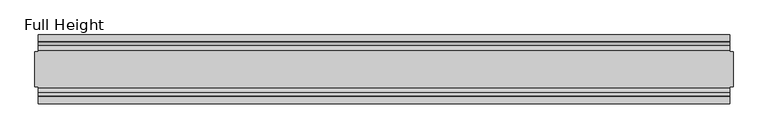
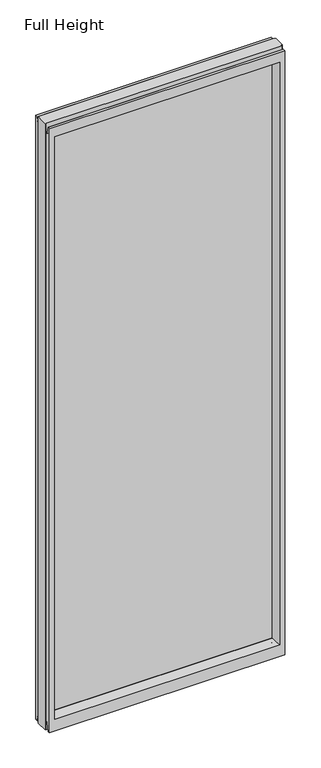
"""IFC4 building model written with IfcOpenShell, lengths in millimetres: plate geometry, Full Height."""

from ifc_helpers import new_model, si_unit, frame, origin, place, context, project, spatial, polyline, circle_curve, outline, extrude, source, transform, mapped, element, save
from ifc_brep_helpers import plane_surface, cylinder_surface, revolved_surface, advanced_brep


def full_height_b04af7f7(model_context):
    return source(origin(), model_context, "Body", "SolidModel", [
        advanced_brep(
        [(507.9531152, 25.146, 2743.2), (503.3811152, 25.146, 2743.2), (503.3811152, 26.67, 2743.2), (-503.3811152, 26.67, 2743.2), (-503.3811152, 25.146, 2743.2), (-507.9531152, 25.146, 2743.2), (-507.9531152, -25.146, 2743.2), (-503.3811152, -25.146, 2743.2), (-503.3811152, -26.67, 2743.2), (503.3811152, -26.67, 2743.2), (503.3811152, -25.146, 2743.2), (507.9531152, -25.146, 2743.2), (507.9531152, 25.146, 0.0), (507.9531152, -25.146, 0.0), (503.3811152, -25.146, 0.0), (503.3811152, -26.67, 0.0), (-503.3811152, -26.67, 0.0), (-503.3811152, -25.146, 0.0), (-507.9531152, -25.146, 0.0), (-507.9531152, 25.146, 0.0), (-503.3811152, 25.146, 0.0), (-503.3811152, 26.67, 0.0), (503.3811152, 26.67, 0.0), (503.3811152, 25.146, 0.0), (-503.3811152, 40.7946686, 0.0), (-503.3811152, 50.0, 0.0), (503.3811152, 50.0, 0.0), (503.3811152, 40.7946686, 0.0), (-503.3811152, 26.67, 36.4542208), (503.3811152, 26.67, 36.4542208), (-503.3811152, -26.67, 36.4542208), (-503.3811152, -34.2686707, 36.8568054), (-503.3811152, -36.9464913, 11.6561909), (-503.3811152, -39.043018, 8.6755976), (-503.3811152, -39.5246686, 7.9074686), (-503.3811152, -39.5246686, 1.27), (-503.3811152, -40.7946686, 0.0), (-503.3811152, -50.0, 0.0), (-503.3811152, -50.0, 2734.056), (-503.3811152, -39.9371387, 2734.056), (-503.3811152, -39.1867152, 2733.4263199), (-503.3811152, -34.2321175, 2705.3274004), (-503.3811152, -26.67, 2705.989), (-503.3811152, 39.5246686, 1.27), (-503.3811152, 39.5246686, 7.9074686), (-503.3811152, 39.043018, 8.6755976), (-503.3811152, 36.9464913, 11.6561909), (-503.3811152, 34.2686707, 36.8568054), (-503.3811152, 26.67, 2705.989), (-503.3811152, 34.2321175, 2705.3274004), (-503.3811152, 39.1867152, 2733.4263199), (-503.3811152, 39.9371387, 2734.056), (-503.3811152, 50.0, 2734.056), (503.3811152, -50.0, 0.0), (503.3811152, -50.0, 2734.056), (-481.2831152, -50.0, 2689.479), (481.2831152, -50.0, 2689.479), (481.2831152, -50.0, 52.8372208), (-481.2831152, -50.0, 52.8372208), (503.3811152, 50.0, 2734.056), (-481.2831152, 50.0, 52.8372208), (481.2831152, 50.0, 52.8372208), (481.2831152, 50.0, 2689.479), (-481.2831152, 50.0, 2689.479), (-475.3141152, -6.1006519, 58.8062208), (-475.3141152, -6.1006519, 2683.51), (-475.3141152, 6.1006519, 2683.51), (-475.3141152, 6.1006519, 58.8062208), (475.3141152, 6.1006519, 58.8062208), (475.3141152, 6.1006519, 2683.51), (475.3141152, -6.1006519, 2683.51), (475.3141152, -6.1006519, 58.8062208), (503.3811152, -40.7946686, 0.0), (503.3811152, -39.5246686, 1.27), (503.3811152, -39.5246686, 7.9074686), (503.3811152, -39.043018, 8.6755976), (503.3811152, -36.9464913, 11.6561909), (503.3811152, -34.2686707, 36.8568054), (503.3811152, -26.67, 36.4542208), (503.3811152, -26.67, 2705.989), (503.3811152, -34.2321175, 2705.3274004), (503.3811152, -39.1867152, 2733.4263199), (503.3811152, -39.9371387, 2734.056), (503.3811152, 39.9371387, 2734.056), (503.3811152, 39.1867152, 2733.4263199), (503.3811152, 34.2321175, 2705.3274004), (503.3811152, 26.67, 2705.989), (503.3811152, 34.2686707, 36.8568054), (503.3811152, 36.9464913, 11.6561909), (503.3811152, 39.043018, 8.6755976), (503.3811152, 39.5246686, 7.9074686), (503.3811152, 39.5246686, 1.27)],
        [
            (0, 1),
            (1, 2),
            (2, 3),
            (3, 4),
            (4, 5),
            (5, 6),
            (6, 7),
            (7, 8),
            (8, 9),
            (9, 10),
            (10, 11),
            (11, 0),
            (12, 13),
            (13, 14),
            (14, 15),
            (15, 16),
            (16, 17),
            (17, 18),
            (18, 19),
            (19, 20),
            (20, 21),
            (21, 22),
            (22, 23),
            (23, 12),
            (23, 1),
            (0, 12),
            (10, 14),
            (13, 11),
            (5, 19),
            (18, 6),
            (17, 7),
            (4, 20),
            (24, 25),
            (25, 26),
            (26, 27),
            (27, 24),
            (21, 28),
            (28, 29),
            (29, 22),
            (16, 30),
            (30, 31, circle_curve(frame((-503.3811152, -30.48, 36.4542208), z_axis=(1.0, 0.0, 0.0), x_axis=(0.0, -1.0, 0.0)), 3.81)),
            (31, 32),
            (32, 33, circle_curve(frame((-503.3811152, -40.6770502, 12.0526006), z_axis=(-1.0, 0.0, 0.0), x_axis=(0.0, -1.0, 0.0)), 3.751561)),
            (33, 34, circle_curve(frame((-503.3811152, -38.671343, 7.9074686), z_axis=(1.0, 0.0, 0.0), x_axis=(0.0, -1.0, 0.0)), 0.8533256)),
            (34, 35),
            (35, 36, circle_curve(frame((-503.3811152, -40.7946686, 1.27), z_axis=(-1.0, 0.0, 0.0), x_axis=(0.0, -1.0, 0.0)), 1.27)),
            (36, 37),
            (37, 38),
            (38, 39),
            (39, 40, circle_curve(frame((-503.3811152, -39.9371387, 2733.294), z_axis=(-1.0, 0.0, 0.0), x_axis=(0.0, -1.0, 0.0)), 0.762)),
            (40, 41),
            (41, 42, circle_curve(frame((-503.3811152, -30.48, 2705.989), z_axis=(1.0, 0.0, 0.0), x_axis=(0.0, -1.0, 0.0)), 3.81)),
            (42, 8),
            (24, 43, circle_curve(frame((-503.3811152, 40.7946686, 1.27), z_axis=(-1.0, 0.0, 0.0), x_axis=(0.0, -1.0, 0.0)), 1.27)),
            (43, 44),
            (44, 45, circle_curve(frame((-503.3811152, 38.671343, 7.9074686), z_axis=(1.0, 0.0, 0.0), x_axis=(0.0, -1.0, 0.0)), 0.8533256)),
            (45, 46, circle_curve(frame((-503.3811152, 40.6770502, 12.0526006), z_axis=(-1.0, 0.0, 0.0), x_axis=(0.0, -1.0, 0.0)), 3.751561)),
            (46, 47),
            (47, 28, circle_curve(frame((-503.3811152, 30.48, 36.4542208), z_axis=(1.0, 0.0, 0.0), x_axis=(0.0, -1.0, 0.0)), 3.81)),
            (3, 48),
            (48, 49, circle_curve(frame((-503.3811152, 30.48, 2705.989), z_axis=(1.0, 0.0, 0.0), x_axis=(0.0, -1.0, 0.0)), 3.81)),
            (49, 50),
            (50, 51, circle_curve(frame((-503.3811152, 39.9371387, 2733.294), z_axis=(-1.0, 0.0, 0.0), x_axis=(0.0, -1.0, 0.0)), 0.762)),
            (51, 52),
            (52, 25),
            (37, 53),
            (53, 54),
            (54, 38),
            (55, 56),
            (56, 57),
            (57, 58),
            (58, 55),
            (52, 59),
            (59, 26),
            (60, 61),
            (61, 62),
            (62, 63),
            (63, 60),
            (58, 64),
            (64, 65),
            (65, 55),
            (63, 66),
            (66, 67),
            (67, 60),
            (61, 68),
            (68, 69),
            (69, 62),
            (70, 71),
            (71, 57),
            (56, 70),
            (53, 72),
            (72, 73, circle_curve(frame((503.3811152, -40.7946686, 1.27), z_axis=(1.0, 0.0, 0.0), x_axis=(0.0, -1.0, 0.0)), 1.27)),
            (73, 74),
            (74, 75, circle_curve(frame((503.3811152, -38.671343, 7.9074686), z_axis=(-1.0, 0.0, 0.0), x_axis=(0.0, -1.0, 0.0)), 0.8533256)),
            (75, 76, circle_curve(frame((503.3811152, -40.6770502, 12.0526006), z_axis=(1.0, 0.0, 0.0), x_axis=(0.0, -1.0, 0.0)), 3.751561)),
            (76, 77),
            (77, 78, circle_curve(frame((503.3811152, -30.48, 36.4542208), z_axis=(-1.0, 0.0, 0.0), x_axis=(0.0, -1.0, 0.0)), 3.81)),
            (78, 15),
            (9, 79),
            (79, 80, circle_curve(frame((503.3811152, -30.48, 2705.989), z_axis=(-1.0, 0.0, 0.0), x_axis=(0.0, -1.0, 0.0)), 3.81)),
            (80, 81),
            (81, 82, circle_curve(frame((503.3811152, -39.9371387, 2733.294), z_axis=(1.0, 0.0, 0.0), x_axis=(0.0, -1.0, 0.0)), 0.762)),
            (82, 54),
            (59, 83),
            (83, 84, circle_curve(frame((503.3811152, 39.9371387, 2733.294), z_axis=(1.0, 0.0, 0.0), x_axis=(0.0, -1.0, 0.0)), 0.762)),
            (84, 85),
            (85, 86, circle_curve(frame((503.3811152, 30.48, 2705.989), z_axis=(-1.0, 0.0, 0.0), x_axis=(0.0, -1.0, 0.0)), 3.81)),
            (86, 2),
            (29, 87, circle_curve(frame((503.3811152, 30.48, 36.4542208), z_axis=(-1.0, 0.0, 0.0), x_axis=(0.0, -1.0, 0.0)), 3.81)),
            (87, 88),
            (88, 89, circle_curve(frame((503.3811152, 40.6770502, 12.0526006), z_axis=(1.0, 0.0, 0.0), x_axis=(0.0, -1.0, 0.0)), 3.751561)),
            (89, 90, circle_curve(frame((503.3811152, 38.671343, 7.9074686), z_axis=(-1.0, 0.0, 0.0), x_axis=(0.0, -1.0, 0.0)), 0.8533256)),
            (90, 91),
            (91, 27, circle_curve(frame((503.3811152, 40.7946686, 1.27), z_axis=(1.0, 0.0, 0.0), x_axis=(0.0, -1.0, 0.0)), 1.27)),
            (91, 43),
            (90, 44),
            (89, 45),
            (88, 46),
            (87, 47),
            (78, 30),
            (31, 77),
            (76, 32),
            (75, 33),
            (74, 34),
            (73, 35),
            (72, 36),
            (71, 64),
            (67, 68),
            (86, 48),
            (85, 49),
            (84, 50),
            (83, 51),
            (69, 66),
            (65, 70),
            (82, 39),
            (81, 40),
            (80, 41),
            (79, 42),
            (65, 66),
            (69, 70),
            (71, 68),
            (67, 64),
        ],
        [
            plane_surface(frame((503.3811152, 25.146, 2743.2), z_axis=(0.0, 0.0, 1.0), x_axis=(-1.0, 0.0, 0.0))),
            plane_surface(frame((503.3811152, 25.146, 0.0), z_axis=(0.0, 0.0, -1.0), x_axis=(1.0, 0.0, 0.0))),
            plane_surface(frame((507.9531152, 25.146, 2743.2), z_axis=(0.0, 1.0, 0.0), x_axis=(0.0, 0.0, -1.0))),
            plane_surface(frame((503.3811152, -25.146, 2743.2), z_axis=(0.0, -1.0, 0.0), x_axis=(0.0, 0.0, -1.0))),
            plane_surface(frame((507.9531152, -25.146, 2743.2), z_axis=(1.0, 0.0, 0.0), x_axis=(0.0, 0.0, -1.0))),
            plane_surface(frame((-507.9531152, 25.146, 2743.2), z_axis=(-1.0, 0.0, 0.0), x_axis=(0.0, 0.0, -1.0))),
            plane_surface(frame((-507.9531152, -25.146, 2743.2), z_axis=(0.0, -1.0, 0.0), x_axis=(0.0, 0.0, -1.0))),
            plane_surface(frame((-503.3811152, 25.146, 2743.2), z_axis=(0.0, 1.0, 0.0), x_axis=(0.0, 0.0, -1.0))),
            plane_surface(frame((-503.3811152, 50.0, 0.0), z_axis=(0.0, 0.0, -1.0), x_axis=(1.0, 0.0, 0.0))),
            plane_surface(frame((-503.3811152, 26.67, 36.4542208), z_axis=(0.0, 1.0, 0.0), x_axis=(1.0, 0.0, 0.0))),
            plane_surface(frame((-503.3811152, 50.0, 2701.2646), z_axis=(-1.0, 0.0, 0.0), x_axis=(0.0, 0.0, -1.0))),
            plane_surface(frame((-503.3811152, -50.0, 2701.2646), z_axis=(0.0, -1.0, 0.0), x_axis=(0.0, 0.0, -1.0))),
            plane_surface(frame((-481.2831152, 50.0, 2701.2646), z_axis=(0.0, 1.0, 0.0), x_axis=(0.0, 0.0, -1.0))),
            plane_surface(frame((-481.2831152, -50.0, 2701.2646), z_axis=(0.9908822943533606, -0.13473039277393942, 0.0), x_axis=(0.0, 0.0, -1.0))),
            plane_surface(frame((-475.3141152, 6.1006519, 2701.2646), z_axis=(0.9908822943533612, 0.13473039277393595, 0.0), x_axis=(0.0, 0.0, -1.0))),
            plane_surface(frame((481.2831152, 50.0, 2701.2646), z_axis=(-0.9908822943533605, 0.1347303927739403, 0.0), x_axis=(0.0, 0.0, -1.0))),
            plane_surface(frame((475.3141152, -6.1006519, 2701.2646), z_axis=(-0.9908822943533563, -0.13473039277397156, 0.0), x_axis=(0.0, 0.0, -1.0))),
            plane_surface(frame((503.3811152, -50.0, 2701.2646), z_axis=(1.0, 0.0, 0.0), x_axis=(0.0, 0.0, -1.0))),
            cylinder_surface(frame((503.3811152, 40.7946686, 1.27), z_axis=(-1.0, 0.0, 0.0), x_axis=(0.0, -1.0, 0.0)), 1.27),
            plane_surface(frame((-503.3811152, 39.5246686, 1.27), z_axis=(0.0, -1.0, 0.0), x_axis=(1.0, 0.0, 0.0))),
            revolved_surface(polyline([(503.3811152, 37.8180174, 7.9074686), (-503.3811152, 37.8180174, 7.9074686)]), (503.3811152, 38.671343, 7.9074686), (1.0, 0.0, 0.0)),
            cylinder_surface(frame((503.3811152, 40.6770502, 12.0526006), z_axis=(-1.0, 0.0, 0.0), x_axis=(0.0, -1.0, 0.0)), 3.751561),
            plane_surface(frame((-503.3811152, 36.9464913, 11.6561909), z_axis=(0.0, -0.994401756086667, -0.10566526151840452), x_axis=(1.0, 0.0, 0.0))),
            plane_surface(frame((-503.3811152, -26.67, 0.0), z_axis=(0.0, -1.0, 0.0), x_axis=(1.0, 0.0, 0.0))),
            plane_surface(frame((-503.3811152, -34.2686707, 36.8568054), z_axis=(0.0, 0.9944017560866222, -0.10566526151882655), x_axis=(1.0, 0.0, 0.0))),
            cylinder_surface(frame((503.3811152, -40.6770502, 12.0526006), z_axis=(-1.0, 0.0, 0.0), x_axis=(0.0, -1.0, 0.0)), 3.751561),
            revolved_surface(polyline([(503.3811152, -39.5246686, 7.9074686), (-503.3811152, -39.5246686, 7.9074686)]), (503.3811152, -38.671343, 7.9074686), (1.0, 0.0, 0.0)),
            plane_surface(frame((-503.3811152, -39.5246686, 7.9074686), z_axis=(0.0, 1.0, 0.0), x_axis=(1.0, 0.0, 0.0))),
            cylinder_surface(frame((503.3811152, -40.7946686, 1.27), z_axis=(-1.0, 0.0, 0.0), x_axis=(0.0, -1.0, 0.0)), 1.27),
            plane_surface(frame((-503.3811152, -40.7946686, 0.0), z_axis=(0.0, 0.0, -1.0), x_axis=(1.0, 0.0, 0.0))),
            plane_surface(frame((-503.3811152, -50.0, 52.8372208), z_axis=(0.0, -0.13473039277394738, 0.9908822943533596), x_axis=(1.0, 0.0, 0.0))),
            plane_surface(frame((-503.3811152, 6.1006519, 58.8062208), z_axis=(0.0, 0.13473039277399934, 0.9908822943533526), x_axis=(1.0, 0.0, 0.0))),
            revolved_surface(polyline([(503.3811152, 26.67, 36.4542208), (-503.3811152, 26.67, 36.4542208)]), (503.3811152, 30.48, 36.4542208), (1.0, 0.0, 0.0)),
            revolved_surface(polyline([(503.3811152, -34.29, 36.4542208), (-503.3811152, -34.29, 36.4542208)]), (503.3811152, -30.48, 36.4542208), (1.0, 0.0, 0.0)),
            plane_surface(frame((-503.3811152, 26.67, 2743.2), z_axis=(0.0, 1.0, 0.0), x_axis=(1.0, 0.0, 0.0))),
            revolved_surface(polyline([(503.3811152, 26.67, 2705.989), (-503.3811152, 26.67, 2705.989)]), (-507.9531152, 30.48, 2705.989), (1.0, 0.0, 0.0)),
            plane_surface(frame((-503.3811152, 34.2321175, 2705.3274004), z_axis=(0.0, -0.9848077530113106, 0.17364817767201993), x_axis=(1.0, 0.0, 0.0))),
            cylinder_surface(frame((-507.9531152, 39.9371387, 2733.294), z_axis=(-1.0, 0.0, 0.0), x_axis=(0.0, -1.0, 0.0)), 0.762),
            plane_surface(frame((-503.3811152, 39.9371387, 2734.056), z_axis=(0.0, 0.0, 1.0), x_axis=(1.0, 0.0, 0.0))),
            plane_surface(frame((-503.3811152, 50.0, 2689.479), z_axis=(0.0, 0.1347303927734499, -0.9908822943534272), x_axis=(1.0, 0.0, 0.0))),
            plane_surface(frame((-503.3811152, -6.1006519, 2683.51), z_axis=(0.0, -0.1347303927724766, -0.9908822943535597), x_axis=(1.0, 0.0, 0.0))),
            plane_surface(frame((-503.3811152, -50.0, 2734.056), z_axis=(0.0, 0.0, 1.0), x_axis=(1.0, 0.0, 0.0))),
            cylinder_surface(frame((-507.9531152, -39.9371387, 2733.294), z_axis=(-1.0, 0.0, 0.0), x_axis=(0.0, -1.0, 0.0)), 0.762),
            plane_surface(frame((-503.3811152, -39.1867152, 2733.4263199), z_axis=(0.0, 0.984807753010382, 0.1736481776772867), x_axis=(1.0, 0.0, 0.0))),
            revolved_surface(polyline([(503.3811152, -34.29, 2705.989), (-503.3811152, -34.29, 2705.989)]), (-507.9531152, -30.48, 2705.989), (1.0, 0.0, 0.0)),
            plane_surface(frame((-503.3811152, -26.67, 2705.989), z_axis=(0.0, -1.0, 0.0), x_axis=(1.0, 0.0, 0.0))),
            plane_surface(frame((-503.3811152, 6.1006519, 2683.51), z_axis=(0.0, 0.0, -1.0), x_axis=(1.0, 0.0, 0.0))),
            plane_surface(frame((-503.3811152, -6.1006519, 58.8062208), z_axis=(0.0, 0.0, 1.0), x_axis=(1.0, 0.0, 0.0))),
            plane_surface(frame((-475.3141152, -6.1006519, 2701.2646), z_axis=(1.0, 0.0, 0.0), x_axis=(0.0, 0.0, -1.0))),
            plane_surface(frame((475.3141152, 6.1006519, 2701.2646), z_axis=(-1.0, 0.0, 0.0), x_axis=(0.0, 0.0, -1.0))),
        ],
        [
            (0, [[1, 2, 3, 4, 5, 6, 7, 8, 9, 10, 11, 12]]),
            (1, [[13, 14, 15, 16, 17, 18, 19, 20, 21, 22, 23, 24]]),
            (2, [[25, -1, 26, -24]]),
            (3, [[-11, 27, -14, 28]]),
            (4, [[-12, -28, -13, -26]]),
            (5, [[-6, 29, -19, 30]]),
            (6, [[31, -7, -30, -18]]),
            (7, [[-5, 32, -20, -29]]),
            (8, [[33, 34, 35, 36]]),
            (9, [[37, 38, 39, -22]]),
            (10, [[-17, 40, 41, 42, 43, 44, 45, 46, 47, 48, 49, 50, 51, 52, 53, -8, -31]]),
            (10, [[-33, 54, 55, 56, 57, 58, 59, -37, -21, -32, -4, 60, 61, 62, 63, 64, 65]]),
            (11, [[-48, 66, 67, 68], [69, 70, 71, 72]]),
            (12, [[-65, 73, 74, -34], [75, 76, 77, 78]]),
            (13, [[-72, 79, 80, 81]]),
            (14, [[-78, 82, 83, 84]]),
            (15, [[-76, 85, 86, 87]]),
            (16, [[88, 89, -70, 90]]),
            (17, [[-67, 91, 92, 93, 94, 95, 96, 97, 98, -15, -27, -10, 99, 100, 101, 102, 103]]),
            (17, [[-74, 104, 105, 106, 107, 108, -2, -25, -23, -39, 109, 110, 111, 112, 113, 114, -35]]),
            (18, [[-54, -36, -114, 115]]),
            (19, [[-55, -115, -113, 116]]),
            (20, [[-56, -116, -112, 117]]),
            (21, [[-57, -117, -111, 118]]),
            (22, [[-58, -118, -110, 119]]),
            (23, [[-40, -16, -98, 120]]),
            (24, [[-42, 121, -96, 122]]),
            (25, [[-43, -122, -95, 123]]),
            (26, [[-44, -123, -94, 124]]),
            (27, [[-45, -124, -93, 125]]),
            (28, [[-46, -125, -92, 126]]),
            (29, [[-47, -126, -91, -66]]),
            (30, [[-71, -89, 127, -79]]),
            (31, [[-75, -84, 128, -85]]),
            (32, [[-59, -119, -109, -38]]),
            (33, [[-41, -120, -97, -121]]),
            (34, [[-60, -3, -108, 129]]),
            (35, [[-61, -129, -107, 130]]),
            (36, [[-62, -130, -106, 131]]),
            (37, [[-63, -131, -105, 132]]),
            (38, [[-64, -132, -104, -73]]),
            (39, [[-77, -87, 133, -82]]),
            (40, [[-69, -81, 134, -90]]),
            (41, [[-49, -68, -103, 135]]),
            (42, [[-50, -135, -102, 136]]),
            (43, [[-51, -136, -101, 137]]),
            (44, [[-52, -137, -100, 138]]),
            (45, [[-53, -138, -99, -9]]),
            (46, [[-134, 139, -133, 140]]),
            (47, [[-127, 141, -128, 142]]),
            (48, [[-83, -139, -80, -142]]),
            (49, [[-88, -140, -86, -141]]),
        ],
    ),
        extrude(outline(polyline([(-475.3141152, 4.826), (475.3141152, 4.826), (475.3141152, -4.826), (-475.3141152, -4.826), (-475.3141152, 4.826)])), frame((0.0, 0.0, 58.8062208), z_axis=(0.0, 0.0, 1.0), x_axis=(1.0, 0.0, 0.0)), (0.0, 0.0, 1.0), 2624.7037792),
    ])


if __name__ == "__main__":
    model = new_model("IFC4")
    model_context = context("Model", 3, world=origin())
    ifc_project = project(units=[si_unit("LENGTHUNIT", "METRE", prefix="MILLI")], contexts=[model_context])
    site = spatial("IfcSite", under=ifc_project)
    building = spatial("IfcBuilding", under=site)
    placement = place(None, origin())
    full_height_shape = full_height_b04af7f7(model_context)
    element("IfcPlate", 1, ObjectType="Full Height", at=placement, inside=building, context=model_context, shape_type="MappedRepresentation", body=[
        mapped(full_height_shape, transform((0.0, 0.0, 0.0), x_axis=(1.0, 0.0, 0.0), y_axis=(0.0, 1.0, 0.0), z_axis=(0.0, 0.0, 1.0))),
    ])
    save(model, "model.ifc")
